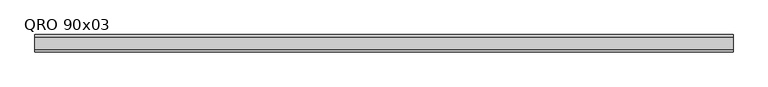
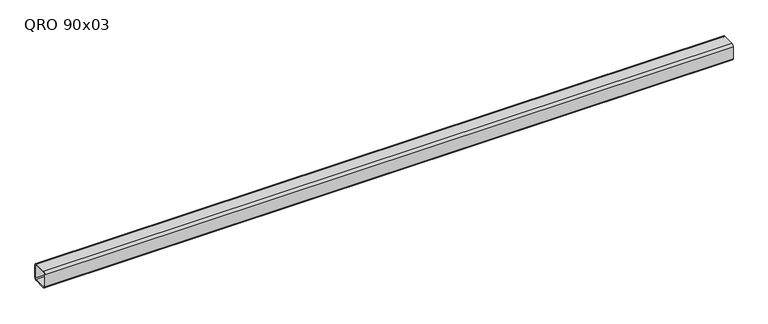
"""IFC4 building model written with IfcOpenShell, lengths in millimetres: beam geometry, QRO 90x03."""

import ifcopenshell
import ifcopenshell.guid

model = None  # the IFC model being written
_history = None  # IfcOwnerHistory: only IFC2X3 demands one
_inside = {}  # id of a spatial element -> (the spatial element, [elements in it])
_under = {}  # id of a project, library or spatial element -> (it, [spatial elements below it])
_declared = {}  # id of a project -> (the project, [libraries it declares])
_typed = {}  # id of a type object -> (the type object, [elements of that type])
_made_of = {}  # id of a material, layer set ... -> (it, [elements and type objects made of it])


def new_model(schema):
    """Start an empty IFC model of exactly this schema.

    Asked for "IFC4X3", IfcOpenShell would pick the latest addendum, in which some entities
    have other attributes; the version numbers below select the first issue.
    IFC2X3 requires an IfcOwnerHistory on every rooted entity: one is made here for all.
    """
    global model, _history
    if schema == "IFC4X3":
        model = ifcopenshell.file(schema_version=(4, 3, 0, 0))
    else:
        model = ifcopenshell.file(schema=schema)
    _inside.clear()
    _under.clear()
    _declared.clear()
    _typed.clear()
    _made_of.clear()
    _history = None
    if model.schema == "IFC2X3":
        org = make("IfcOrganization", Name="unknown")
        user = make(
            "IfcPersonAndOrganization",
            ThePerson=make("IfcPerson", FamilyName="unknown"),
            TheOrganization=org,
        )
        app = make(
            "IfcApplication",
            ApplicationDeveloper=org,
            Version="unknown",
            ApplicationFullName="unknown",
            ApplicationIdentifier="unknown",
        )
        _history = make(
            "IfcOwnerHistory",
            OwningUser=user,
            OwningApplication=app,
            ChangeAction="ADDED",
            CreationDate=0,
        )
    return model


def make(cls, **values):
    """One entity of the class cls with the attributes given. An attribute that is None is left unset."""
    return model.create_entity(
        cls, **{name: value for name, value in values.items() if value is not None}
    )


def rooted(cls, **values):
    """An entity with a GlobalId (a new one), such as an element, a storey or a relation."""
    return make(cls, GlobalId=ifcopenshell.guid.new(), OwnerHistory=_history, **values)


def si_unit(unit_type, name, prefix=None):
    """IfcSIUnit, for example si_unit("LENGTHUNIT", "METRE", prefix="MILLI")."""
    return make("IfcSIUnit", UnitType=unit_type, Prefix=prefix, Name=name)


def assignment(units):
    """IfcUnitAssignment: the units of a project."""
    return None if units is None else make("IfcUnitAssignment", Units=units)


def point(xyz):
    """IfcCartesianPoint."""
    return None if xyz is None else make("IfcCartesianPoint", Coordinates=xyz)


def direction(xyz):
    """IfcDirection."""
    return None if xyz is None else make("IfcDirection", DirectionRatios=xyz)


def frame(location, z_axis=None, x_axis=None):
    """IfcAxis2Placement3D, a coordinate frame: its origin and axes. An axis left out is left unset."""
    return make(
        "IfcAxis2Placement3D",
        Location=point(location),
        Axis=direction(z_axis),
        RefDirection=direction(x_axis),
    )


def frame_2d(location, x_axis=None):
    """IfcAxis2Placement2D, a coordinate frame in the plane: its origin and x axis."""
    return make(
        "IfcAxis2Placement2D", Location=point(location), RefDirection=direction(x_axis)
    )


def origin():
    """The frame at (0, 0, 0) with its axes left unset."""
    return frame((0.0, 0.0, 0.0))


def place(relative_to, where):
    """IfcLocalPlacement: puts the frame where relative to a parent placement (None: the world)."""
    return make(
        "IfcLocalPlacement", PlacementRelTo=relative_to, RelativePlacement=where
    )


def context(
    kind, dimensions, precision=None, world=None, true_north=None, identifier=None
):
    """IfcGeometricRepresentationContext, for example the 3D "Model" context."""
    return make(
        "IfcGeometricRepresentationContext",
        ContextIdentifier=identifier,
        ContextType=kind,
        CoordinateSpaceDimension=dimensions,
        Precision=precision,
        WorldCoordinateSystem=world,
        TrueNorth=true_north,
    )


def project(units=None, contexts=None):
    """IfcProject with its units and contexts."""
    return rooted(
        "IfcProject",
        Name="project",
        RepresentationContexts=contexts,
        UnitsInContext=assignment(units),
    )


def spatial(cls, under=None, at=None, **own):
    """A site, building, storey or space (cls), placed at a placement, below another one or the project."""
    s = rooted(cls, ObjectPlacement=at, **own)
    if under is not None:
        _under.setdefault(under.id(), (under, []))[1].append(s)
    return s


def polyline(points):
    """IfcPolyline through the points."""
    return make("IfcPolyline", Points=[point(p) for p in points])


def circle_curve(where, radius):
    """IfcCircle in the frame where."""
    return make("IfcCircle", Position=where, Radius=radius)


def trimmed(basis, trim1, trim2, sense, master):
    """IfcTrimmedCurve: the piece of a basis curve between two trims."""
    return make(
        "IfcTrimmedCurve",
        BasisCurve=basis,
        Trim1=trim1,
        Trim2=trim2,
        SenseAgreement=sense,
        MasterRepresentation=master,
    )


def segment(curve, same_sense, transition):
    """IfcCompositeCurveSegment."""
    return make(
        "IfcCompositeCurveSegment",
        Transition=transition,
        SameSense=same_sense,
        ParentCurve=curve,
    )


def composite_curve(segments, self_intersect=None):
    """IfcCompositeCurve: segments joined end to end."""
    return make("IfcCompositeCurve", Segments=segments, SelfIntersect=self_intersect)


def outline(outer, holes=None, kind="AREA"):
    """IfcArbitraryClosedProfileDef: a profile drawn as a closed curve; with holes, ...WithVoids."""
    if holes is None:
        return make("IfcArbitraryClosedProfileDef", ProfileType=kind, OuterCurve=outer)
    return make(
        "IfcArbitraryProfileDefWithVoids",
        ProfileType=kind,
        OuterCurve=outer,
        InnerCurves=holes,
    )


def extrude(swept, where, along, depth):
    """IfcExtrudedAreaSolid: the profile swept, set in the frame where, extruded along a direction by depth."""
    return make(
        "IfcExtrudedAreaSolid",
        SweptArea=swept,
        Position=where,
        ExtrudedDirection=direction(along),
        Depth=depth,
    )


def shape(context_of_items, identifier, shape_type, items):
    """IfcShapeRepresentation: the items that make up one representation, for example the "Body"."""
    return make(
        "IfcShapeRepresentation",
        ContextOfItems=context_of_items,
        RepresentationIdentifier=identifier,
        RepresentationType=shape_type,
        Items=items,
    )


def source(mapping_origin, context_of_items, identifier, shape_type, items):
    """IfcRepresentationMap: a shape defined once, which mapped items show again and again."""
    return make(
        "IfcRepresentationMap",
        MappingOrigin=mapping_origin,
        MappedRepresentation=shape(context_of_items, identifier, shape_type, items),
    )


def transform(
    local_origin,
    x_axis=None,
    y_axis=None,
    z_axis=None,
    scale=None,
    scale2=None,
    scale3=None,
    uniform=True,
):
    """IfcCartesianTransformationOperator3D, or its non-uniform kind. x_axis, y_axis, z_axis: its Axis1, 2, 3."""
    if uniform:
        return make(
            "IfcCartesianTransformationOperator3D",
            Axis1=direction(x_axis),
            Axis2=direction(y_axis),
            LocalOrigin=point(local_origin),
            Scale=scale,
            Axis3=direction(z_axis),
        )
    return make(
        "IfcCartesianTransformationOperator3DnonUniform",
        Axis1=direction(x_axis),
        Axis2=direction(y_axis),
        LocalOrigin=point(local_origin),
        Scale=scale,
        Axis3=direction(z_axis),
        Scale2=scale2,
        Scale3=scale3,
    )


def mapped(mapping_source, mapping_target):
    """IfcMappedItem: shows the shape of a source again, moved by a transform."""
    return make(
        "IfcMappedItem", MappingSource=mapping_source, MappingTarget=mapping_target
    )


def made_of(thing, what):
    """Note that an element or type object is made of a material, layer set ...; save() writes the relation."""
    if what is not None:
        _made_of.setdefault(what.id(), (what, []))[1].append(thing)
    return thing


def element(
    cls,
    number,
    at=None,
    inside=None,
    cuts=None,
    type_object=None,
    material=None,
    context=None,
    identifier="Body",
    shape_type=None,
    held_by="IfcProductDefinitionShape",
    body=None,
    shapes=None,
    **own,
):
    """One element of the class cls, such as IfcWall. Its Tag is "e" and its number.

    at: its placement. inside: the storey or other place that contains it. cuts: it is an
    opening in that element (IfcRelVoidsElement). A single representation is given by context,
    identifier, shape_type and body (its items); several are given by shapes. held_by: the class
    of the entity that holds the representations. save() writes the other relations.
    """
    e = rooted(cls, Tag="e%d" % number, ObjectPlacement=at, **own)
    if body is not None:
        shapes = [shape(context, identifier, shape_type, body)]
    if shapes is not None:
        e.Representation = make(held_by, Representations=shapes)
    if inside is not None:
        _inside.setdefault(inside.id(), (inside, []))[1].append(e)
    if cuts is not None:
        rooted(
            "IfcRelVoidsElement", RelatingBuildingElement=cuts, RelatedOpeningElement=e
        )
    if type_object is not None:
        _typed.setdefault(type_object.id(), (type_object, []))[1].append(e)
    return made_of(e, material)


def aggregate(whole, parts):
    """IfcRelAggregates: a whole, such as a stair, and the parts it consists of."""
    return rooted("IfcRelAggregates", RelatingObject=whole, RelatedObjects=parts)


def save(model, path):
    """Write the relations noted so far, then the file.

    IfcRelAggregates (storeys below a building ...), IfcRelContainedInSpatialStructure (elements
    in a storey), IfcRelDefinesByType, IfcRelAssociatesMaterial and IfcRelDeclares: one each for
    every whole, place, type object, material and project.
    """
    for whole, parts in _under.values():
        aggregate(whole, parts)
    for where, things in _inside.values():
        rooted(
            "IfcRelContainedInSpatialStructure",
            RelatedElements=things,
            RelatingStructure=where,
        )
    for kind, things in _typed.values():
        rooted("IfcRelDefinesByType", RelatedObjects=things, RelatingType=kind)
    for what, things in _made_of.values():
        rooted("IfcRelAssociatesMaterial", RelatedObjects=things, RelatingMaterial=what)
    for by, libraries in _declared.values():
        rooted("IfcRelDeclares", RelatingContext=by, RelatedDefinitions=libraries)
    model.write(path)


def qro_90x03_0641fd4a(model_context):
    return source(origin(), model_context, "Body", "SweptSolid", [
        extrude(outline(composite_curve([segment(polyline([(45.0, 33.0), (45.0, -33.0)]), True, "CONTINUOUS"), segment(trimmed(circle_curve(frame_2d((33.0, -33.0)), 12.0), [point((45.0, -33.0))], [point((33.0, -45.0))], False, "CARTESIAN"), True, "CONTINUOUS"), segment(polyline([(33.0, -45.0), (-33.0, -45.0)]), True, "CONTINUOUS"), segment(trimmed(circle_curve(frame_2d((-33.0, -33.0)), 12.0), [point((-33.0, -45.0))], [point((-45.0, -33.0))], False, "CARTESIAN"), True, "CONTINUOUS"), segment(polyline([(-45.0, -33.0), (-45.0, 33.0)]), True, "CONTINUOUS"), segment(trimmed(circle_curve(frame_2d((-33.0, 33.0)), 12.0), [point((-45.0, 33.0))], [point((-33.0, 45.0))], False, "CARTESIAN"), True, "CONTINUOUS"), segment(polyline([(-33.0, 45.0), (33.0, 45.0)]), True, "CONTINUOUS"), segment(trimmed(circle_curve(frame_2d((33.0, 33.0)), 12.0), [point((33.0, 45.0))], [point((45.0, 33.0))], False, "CARTESIAN"), True, "CONTINUOUS")], self_intersect=False), holes=[composite_curve([segment(trimmed(circle_curve(frame_2d((-33.0, 33.0)), 6.0), [point((-33.0, 39.0))], [point((-39.0, 33.0))], True, "CARTESIAN"), True, "CONTINUOUS"), segment(polyline([(-39.0, 33.0), (-39.0, -33.0)]), True, "CONTINUOUS"), segment(trimmed(circle_curve(frame_2d((-33.0, -33.0)), 6.0), [point((-39.0, -33.0))], [point((-33.0, -39.0))], True, "CARTESIAN"), True, "CONTINUOUS"), segment(polyline([(-33.0, -39.0), (33.0, -39.0)]), True, "CONTINUOUS"), segment(trimmed(circle_curve(frame_2d((33.0, -33.0)), 6.0), [point((33.0, -39.0))], [point((39.0, -33.0))], True, "CARTESIAN"), True, "CONTINUOUS"), segment(polyline([(39.0, -33.0), (39.0, 33.0)]), True, "CONTINUOUS"), segment(trimmed(circle_curve(frame_2d((33.0, 33.0)), 6.0), [point((39.0, 33.0))], [point((33.0, 39.0))], True, "CARTESIAN"), True, "CONTINUOUS"), segment(polyline([(33.0, 39.0), (-33.0, 39.0)]), True, "CONTINUOUS")], self_intersect=False)]), frame((-1865.6975715, 0.0, 0.0), z_axis=(1.0, 0.0, 0.0), x_axis=(0.0, 1.0, 0.0)), (0.0, 0.0, 1.0), 3618.855143),
    ])


if __name__ == "__main__":
    model = new_model("IFC4")
    model_context = context("Model", 3, world=origin())
    ifc_project = project(units=[si_unit("LENGTHUNIT", "METRE", prefix="MILLI")], contexts=[model_context])
    site = spatial("IfcSite", under=ifc_project)
    building = spatial("IfcBuilding", under=site)
    placement = place(None, origin())
    qro_90x03_shape = qro_90x03_0641fd4a(model_context)
    element("IfcBeam", 1, ObjectType="QRO 90x03", at=placement, inside=building, context=model_context, shape_type="MappedRepresentation", body=[
        mapped(qro_90x03_shape, transform((0.0, 0.0, 0.0), x_axis=(1.0, 0.0, 0.0), y_axis=(0.0, 1.0, 0.0), z_axis=(0.0, 0.0, 1.0))),
    ])
    save(model, "model.ifc")
